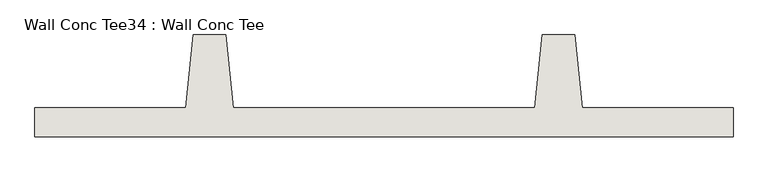
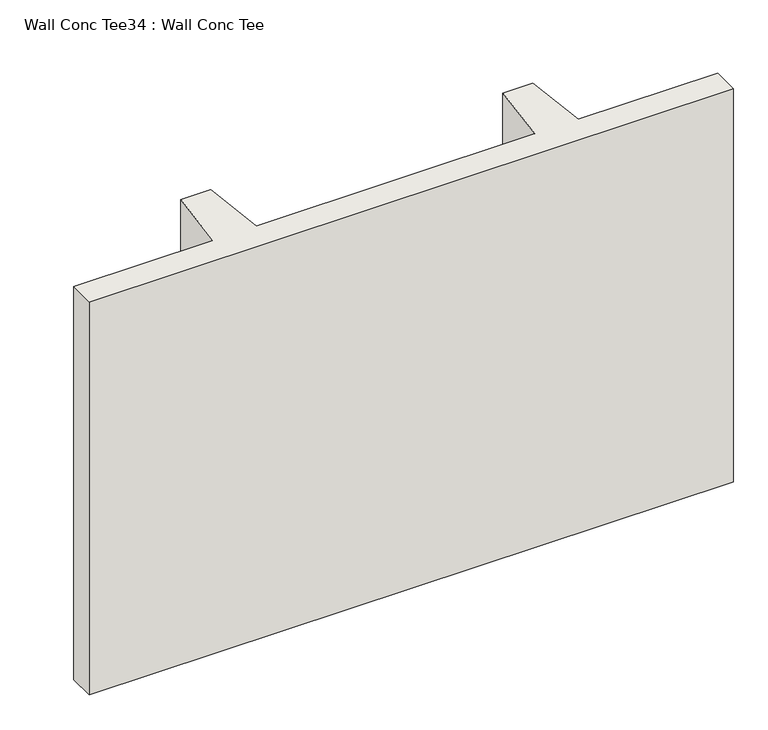
"""IFC4 building model written with IfcOpenShell, lengths in millimetres: wall geometry, Wall Conc Tee34 : Wall Conc Tee."""

from ifc_helpers import new_model, si_unit, frame, origin, place, context, project, spatial, polyline, outline, extrude, source, transform, mapped, element, save


def wall_conc_tee34_wall_conc_tee_6468642a(model_context):
    return source(origin(), model_context, "Body", "SweptSolid", [
        extrude(outline(polyline([(217488.2728488, 193104.2596581), (215049.8728488, 193104.2596581), (215049.8728488, 193205.8596581), (215576.9228488, 193205.8596581), (215602.3228488, 193459.8596581), (215716.6228488, 193459.8596581), (215742.0228488, 193205.8596581), (216796.1228488, 193205.8596581), (216821.5228488, 193459.8596581), (216935.8228488, 193459.8596581), (216961.2228488, 193205.8596581), (217488.2728488, 193205.8596581), (217488.2728488, 193104.2596581)])), frame((0.0, 0.0, 3801.3592564), z_axis=(0.0, 0.0, 1.0), x_axis=(1.0, 0.0, 0.0)), (0.0, 0.0, 1.0), 1574.8087123),
    ])


if __name__ == "__main__":
    model = new_model("IFC4")
    model_context = context("Model", 3, world=origin())
    ifc_project = project(units=[si_unit("LENGTHUNIT", "METRE", prefix="MILLI")], contexts=[model_context])
    site = spatial("IfcSite", under=ifc_project)
    building = spatial("IfcBuilding", under=site)
    placement = place(None, origin())
    wall_conc_tee34_wall_conc_tee_shape = wall_conc_tee34_wall_conc_tee_6468642a(model_context)
    element("IfcWall", 1, ObjectType="Wall Conc Tee34 : Wall Conc Tee", at=placement, inside=building, context=model_context, shape_type="MappedRepresentation", body=[
        mapped(wall_conc_tee34_wall_conc_tee_shape, transform((0.0, 0.0, 0.0), x_axis=(1.0, 0.0, 0.0), y_axis=(0.0, 1.0, 0.0), z_axis=(0.0, 0.0, 1.0))),
    ])
    save(model, "model.ifc")
